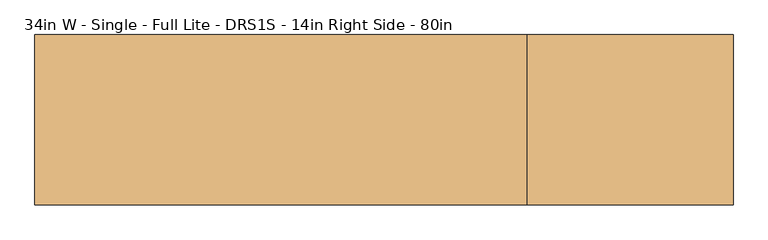
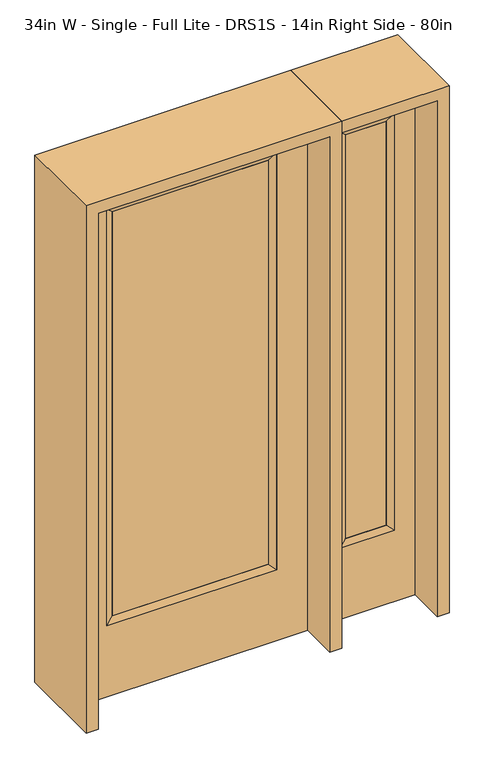
"""IFC4 building model written with IfcOpenShell, lengths in millimetres: door geometry, 34in W - Single - Full Lite - DRS1S - 14in Right Side - 80in."""

import ifcopenshell
import ifcopenshell.guid

model = None  # the IFC model being written
_history = None  # IfcOwnerHistory: only IFC2X3 demands one
_inside = {}  # id of a spatial element -> (the spatial element, [elements in it])
_under = {}  # id of a project, library or spatial element -> (it, [spatial elements below it])
_declared = {}  # id of a project -> (the project, [libraries it declares])
_typed = {}  # id of a type object -> (the type object, [elements of that type])
_made_of = {}  # id of a material, layer set ... -> (it, [elements and type objects made of it])


def new_model(schema):
    """Start an empty IFC model of exactly this schema.

    Asked for "IFC4X3", IfcOpenShell would pick the latest addendum, in which some entities
    have other attributes; the version numbers below select the first issue.
    IFC2X3 requires an IfcOwnerHistory on every rooted entity: one is made here for all.
    """
    global model, _history
    if schema == "IFC4X3":
        model = ifcopenshell.file(schema_version=(4, 3, 0, 0))
    else:
        model = ifcopenshell.file(schema=schema)
    _inside.clear()
    _under.clear()
    _declared.clear()
    _typed.clear()
    _made_of.clear()
    _history = None
    if model.schema == "IFC2X3":
        org = make("IfcOrganization", Name="unknown")
        user = make(
            "IfcPersonAndOrganization",
            ThePerson=make("IfcPerson", FamilyName="unknown"),
            TheOrganization=org,
        )
        app = make(
            "IfcApplication",
            ApplicationDeveloper=org,
            Version="unknown",
            ApplicationFullName="unknown",
            ApplicationIdentifier="unknown",
        )
        _history = make(
            "IfcOwnerHistory",
            OwningUser=user,
            OwningApplication=app,
            ChangeAction="ADDED",
            CreationDate=0,
        )
    return model


def make(cls, **values):
    """One entity of the class cls with the attributes given. An attribute that is None is left unset."""
    return model.create_entity(
        cls, **{name: value for name, value in values.items() if value is not None}
    )


def rooted(cls, **values):
    """An entity with a GlobalId (a new one), such as an element, a storey or a relation."""
    return make(cls, GlobalId=ifcopenshell.guid.new(), OwnerHistory=_history, **values)


def si_unit(unit_type, name, prefix=None):
    """IfcSIUnit, for example si_unit("LENGTHUNIT", "METRE", prefix="MILLI")."""
    return make("IfcSIUnit", UnitType=unit_type, Prefix=prefix, Name=name)


def assignment(units):
    """IfcUnitAssignment: the units of a project."""
    return None if units is None else make("IfcUnitAssignment", Units=units)


def point(xyz):
    """IfcCartesianPoint."""
    return None if xyz is None else make("IfcCartesianPoint", Coordinates=xyz)


def direction(xyz):
    """IfcDirection."""
    return None if xyz is None else make("IfcDirection", DirectionRatios=xyz)


def frame(location, z_axis=None, x_axis=None):
    """IfcAxis2Placement3D, a coordinate frame: its origin and axes. An axis left out is left unset."""
    return make(
        "IfcAxis2Placement3D",
        Location=point(location),
        Axis=direction(z_axis),
        RefDirection=direction(x_axis),
    )


def origin():
    """The frame at (0, 0, 0) with its axes left unset."""
    return frame((0.0, 0.0, 0.0))


def place(relative_to, where):
    """IfcLocalPlacement: puts the frame where relative to a parent placement (None: the world)."""
    return make(
        "IfcLocalPlacement", PlacementRelTo=relative_to, RelativePlacement=where
    )


def context(
    kind, dimensions, precision=None, world=None, true_north=None, identifier=None
):
    """IfcGeometricRepresentationContext, for example the 3D "Model" context."""
    return make(
        "IfcGeometricRepresentationContext",
        ContextIdentifier=identifier,
        ContextType=kind,
        CoordinateSpaceDimension=dimensions,
        Precision=precision,
        WorldCoordinateSystem=world,
        TrueNorth=true_north,
    )


def project(units=None, contexts=None):
    """IfcProject with its units and contexts."""
    return rooted(
        "IfcProject",
        Name="project",
        RepresentationContexts=contexts,
        UnitsInContext=assignment(units),
    )


def spatial(cls, under=None, at=None, **own):
    """A site, building, storey or space (cls), placed at a placement, below another one or the project."""
    s = rooted(cls, ObjectPlacement=at, **own)
    if under is not None:
        _under.setdefault(under.id(), (under, []))[1].append(s)
    return s


def polyline(points):
    """IfcPolyline through the points."""
    return make("IfcPolyline", Points=[point(p) for p in points])


def outline(outer, holes=None, kind="AREA"):
    """IfcArbitraryClosedProfileDef: a profile drawn as a closed curve; with holes, ...WithVoids."""
    if holes is None:
        return make("IfcArbitraryClosedProfileDef", ProfileType=kind, OuterCurve=outer)
    return make(
        "IfcArbitraryProfileDefWithVoids",
        ProfileType=kind,
        OuterCurve=outer,
        InnerCurves=holes,
    )


def extrude(swept, where, along, depth):
    """IfcExtrudedAreaSolid: the profile swept, set in the frame where, extruded along a direction by depth."""
    return make(
        "IfcExtrudedAreaSolid",
        SweptArea=swept,
        Position=where,
        ExtrudedDirection=direction(along),
        Depth=depth,
    )


def faces_of(points, faces, orient=None, outer=None):
    """IfcFace entities. A face is a list of loops; a loop is a list of indices into points, from 0.

    orient and outer hold one flag for each loop. By default every Orientation is true, the
    first loop of a face is its IfcFaceOuterBound and the others are IfcFaceBound.
    """
    made = []
    for i, loops in enumerate(faces):
        bounds = []
        for j, loop in enumerate(loops):
            is_outer = j == 0 if outer is None else outer[i][j]
            bounds.append(
                make(
                    "IfcFaceOuterBound" if is_outer else "IfcFaceBound",
                    Bound=make("IfcPolyLoop", Polygon=[points[k] for k in loop]),
                    Orientation=True if orient is None else orient[i][j],
                )
            )
        made.append(make("IfcFace", Bounds=bounds))
    return made


def faceted_brep(points, faces, orient=None, outer=None, voids=None):
    """IfcFacetedBrep: a solid bounded by flat faces; with voids (closed shells), ...WithVoids."""
    shared = [point(p) for p in points]
    hull = make("IfcClosedShell", CfsFaces=faces_of(shared, faces, orient, outer))
    if voids is None:
        return make("IfcFacetedBrep", Outer=hull)
    return make(
        "IfcFacetedBrepWithVoids",
        Outer=hull,
        Voids=[
            make(cls, CfsFaces=faces_of(shared, fs, o, b)) for cls, fs, o, b in voids
        ],
    )


def shape(context_of_items, identifier, shape_type, items):
    """IfcShapeRepresentation: the items that make up one representation, for example the "Body"."""
    return make(
        "IfcShapeRepresentation",
        ContextOfItems=context_of_items,
        RepresentationIdentifier=identifier,
        RepresentationType=shape_type,
        Items=items,
    )


def source(mapping_origin, context_of_items, identifier, shape_type, items):
    """IfcRepresentationMap: a shape defined once, which mapped items show again and again."""
    return make(
        "IfcRepresentationMap",
        MappingOrigin=mapping_origin,
        MappedRepresentation=shape(context_of_items, identifier, shape_type, items),
    )


def transform(
    local_origin,
    x_axis=None,
    y_axis=None,
    z_axis=None,
    scale=None,
    scale2=None,
    scale3=None,
    uniform=True,
):
    """IfcCartesianTransformationOperator3D, or its non-uniform kind. x_axis, y_axis, z_axis: its Axis1, 2, 3."""
    if uniform:
        return make(
            "IfcCartesianTransformationOperator3D",
            Axis1=direction(x_axis),
            Axis2=direction(y_axis),
            LocalOrigin=point(local_origin),
            Scale=scale,
            Axis3=direction(z_axis),
        )
    return make(
        "IfcCartesianTransformationOperator3DnonUniform",
        Axis1=direction(x_axis),
        Axis2=direction(y_axis),
        LocalOrigin=point(local_origin),
        Scale=scale,
        Axis3=direction(z_axis),
        Scale2=scale2,
        Scale3=scale3,
    )


def mapped(mapping_source, mapping_target):
    """IfcMappedItem: shows the shape of a source again, moved by a transform."""
    return make(
        "IfcMappedItem", MappingSource=mapping_source, MappingTarget=mapping_target
    )


def made_of(thing, what):
    """Note that an element or type object is made of a material, layer set ...; save() writes the relation."""
    if what is not None:
        _made_of.setdefault(what.id(), (what, []))[1].append(thing)
    return thing


def element(
    cls,
    number,
    at=None,
    inside=None,
    cuts=None,
    type_object=None,
    material=None,
    context=None,
    identifier="Body",
    shape_type=None,
    held_by="IfcProductDefinitionShape",
    body=None,
    shapes=None,
    **own,
):
    """One element of the class cls, such as IfcWall. Its Tag is "e" and its number.

    at: its placement. inside: the storey or other place that contains it. cuts: it is an
    opening in that element (IfcRelVoidsElement). A single representation is given by context,
    identifier, shape_type and body (its items); several are given by shapes. held_by: the class
    of the entity that holds the representations. save() writes the other relations.
    """
    e = rooted(cls, Tag="e%d" % number, ObjectPlacement=at, **own)
    if body is not None:
        shapes = [shape(context, identifier, shape_type, body)]
    if shapes is not None:
        e.Representation = make(held_by, Representations=shapes)
    if inside is not None:
        _inside.setdefault(inside.id(), (inside, []))[1].append(e)
    if cuts is not None:
        rooted(
            "IfcRelVoidsElement", RelatingBuildingElement=cuts, RelatedOpeningElement=e
        )
    if type_object is not None:
        _typed.setdefault(type_object.id(), (type_object, []))[1].append(e)
    return made_of(e, material)


def aggregate(whole, parts):
    """IfcRelAggregates: a whole, such as a stair, and the parts it consists of."""
    return rooted("IfcRelAggregates", RelatingObject=whole, RelatedObjects=parts)


def save(model, path):
    """Write the relations noted so far, then the file.

    IfcRelAggregates (storeys below a building ...), IfcRelContainedInSpatialStructure (elements
    in a storey), IfcRelDefinesByType, IfcRelAssociatesMaterial and IfcRelDeclares: one each for
    every whole, place, type object, material and project.
    """
    for whole, parts in _under.values():
        aggregate(whole, parts)
    for where, things in _inside.values():
        rooted(
            "IfcRelContainedInSpatialStructure",
            RelatedElements=things,
            RelatingStructure=where,
        )
    for kind, things in _typed.values():
        rooted("IfcRelDefinesByType", RelatedObjects=things, RelatingType=kind)
    for what, things in _made_of.values():
        rooted("IfcRelAssociatesMaterial", RelatedObjects=things, RelatingMaterial=what)
    for by, libraries in _declared.values():
        rooted("IfcRelDeclares", RelatingContext=by, RelatedDefinitions=libraries)
    model.write(path)


def door_34in_w_single_full_lite_drs1s_14in_right_side_80in_aebb48dd(model_context):
    return source(origin(), model_context, "Body", "SolidModel", [
        extrude(outline(polyline([(290.9824, -12.7039749), (-290.9824, -12.7039749), (-290.9824, 14.2875), (290.9824, 14.2875), (290.9824, -12.7039749)])), frame((0.0, 0.0, 304.8), z_axis=(0.0, 0.0, 1.0), x_axis=(1.0, 0.0, 0.0)), (0.0, 0.0, 1.0), 1591.1576),
        faceted_brep([(290.9824, 14.2875, 1895.9576), (316.3824, 22.225, 1921.3576), (316.3824, 22.225, 279.4), (290.9824, 14.2875, 304.8), (316.3824, -22.225, 1921.3576), (316.3824, -22.225, 279.4), (-316.3824, 22.225, 279.4), (-290.9824, 14.2875, 304.8), (290.9824, -12.7039749, 1895.9576), (290.9824, -12.7039749, 304.8), (-290.9824, -12.7039749, 304.8), (-316.3824, -22.225, 279.4), (-316.3824, 22.225, 1921.3576), (-290.9824, 14.2875, 1895.9576), (-290.9824, -12.7039749, 1895.9576), (-316.3824, -22.225, 1921.3576)], [[[0, 1, 2, 3]], [[1, 4, 5, 2]], [[3, 2, 6, 7]], [[8, 0, 3, 9]], [[9, 3, 7, 10]], [[4, 8, 9, 5]], [[5, 9, 10, 11]], [[2, 5, 11, 6]], [[7, 6, 12, 13]], [[10, 7, 13, 14]], [[11, 10, 14, 15]], [[6, 11, 15, 12]], [[13, 12, 1, 0]], [[14, 13, 0, 8]], [[15, 14, 8, 4]], [[12, 15, 4, 1]]]),
        extrude(outline(polyline([(0.0, -431.8), (0.0, 431.8), (2032.0, 431.8), (2032.0, -431.8), (0.0, -431.8)]), holes=[polyline([(279.4, -316.3824), (1921.3576, -316.3824), (1921.3576, 316.3824), (279.4, 316.3824), (279.4, -316.3824)])]), frame((0.0, -22.225, 0.0), z_axis=(0.0, 1.0, 0.0), x_axis=(0.0, 0.0, 1.0)), (0.0, 0.0, 1.0), 44.45),
        faceted_brep([(552.45, 20.6375, 1920.875), (552.45, 20.6375, 279.4), (552.45, -20.6375, 279.4), (552.45, -20.6375, 1920.875), (577.85, -12.7, 304.8), (577.85, -12.7, 1895.475), (755.65, 20.6375, 279.4), (755.65, -20.6375, 279.4), (577.85, 12.7, 1895.475), (577.85, 12.7, 304.8), (730.25, 12.7, 304.8), (730.25, -12.7, 304.8), (755.65, 20.6375, 1920.875), (755.65, -20.6375, 1920.875), (730.25, 12.7, 1895.475), (730.25, -12.7, 1895.475)], [[[0, 1, 2, 3]], [[3, 2, 4, 5]], [[1, 6, 7, 2]], [[8, 9, 1, 0]], [[9, 10, 6, 1]], [[5, 4, 9, 8]], [[4, 11, 10, 9]], [[2, 7, 11, 4]], [[6, 12, 13, 7]], [[10, 14, 12, 6]], [[11, 15, 14, 10]], [[7, 13, 15, 11]], [[12, 0, 3, 13]], [[14, 8, 0, 12]], [[15, 5, 8, 14]], [[13, 3, 5, 15]]]),
        extrude(outline(polyline([(0.0, 831.85), (2032.0, 831.85), (2032.0, 476.25), (0.0, 476.25), (0.0, 831.85)]), holes=[polyline([(1920.875, 552.45), (1920.875, 755.65), (279.4, 755.65), (279.4, 552.45), (1920.875, 552.45)])]), frame((0.0, -20.6375, 0.0), z_axis=(0.0, 1.0, 0.0), x_axis=(0.0, 0.0, 1.0)), (0.0, 0.0, 1.0), 41.275),
        extrude(outline(polyline([(577.85, -12.7), (577.85, 12.7), (730.25, 12.7), (730.25, -12.7), (577.85, -12.7)])), frame((0.0, 0.0, 304.8), z_axis=(0.0, 0.0, 1.0), x_axis=(1.0, 0.0, 0.0)), (0.0, 0.0, 1.0), 1590.675),
        extrude(outline(polyline([(2076.45, -476.25), (0.0, -476.25), (0.0, -431.8), (2032.0, -431.8), (2032.0, 431.8), (0.0, 431.8), (0.0, 476.25), (2076.45, 476.25), (2076.45, -476.25)])), frame((0.0, -165.1, 0.0), z_axis=(0.0, 1.0, 0.0), x_axis=(0.0, 0.0, 1.0)), (0.0, 0.0, 1.0), 330.2),
        extrude(outline(polyline([(0.0, 831.85), (0.0, 876.3), (2076.45, 876.3), (2076.45, 476.25), (2032.0, 476.25), (2032.0, 831.85), (0.0, 831.85)])), frame((0.0, -165.1, 0.0), z_axis=(0.0, 1.0, 0.0), x_axis=(0.0, 0.0, 1.0)), (0.0, 0.0, 1.0), 330.2),
    ])


if __name__ == "__main__":
    model = new_model("IFC4")
    model_context = context("Model", 3, world=origin())
    ifc_project = project(units=[si_unit("LENGTHUNIT", "METRE", prefix="MILLI")], contexts=[model_context])
    site = spatial("IfcSite", under=ifc_project)
    building = spatial("IfcBuilding", under=site)
    placement = place(None, origin())
    door_34in_w_single_full_lite_drs1s_14in_right_side_80in_shape = door_34in_w_single_full_lite_drs1s_14in_right_side_80in_aebb48dd(model_context)
    element("IfcDoor", 1, ObjectType="34in W - Single - Full Lite - DRS1S - 14in Right Side - 80in", at=placement, inside=building, context=model_context, shape_type="MappedRepresentation", body=[
        mapped(door_34in_w_single_full_lite_drs1s_14in_right_side_80in_shape, transform((0.0, 0.0, 0.0), x_axis=(1.0, 0.0, 0.0), y_axis=(0.0, 1.0, 0.0), z_axis=(0.0, 0.0, 1.0))),
    ])
    save(model, "model.ifc")
